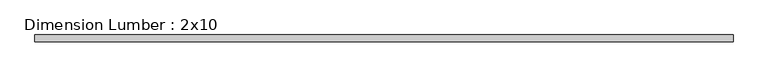
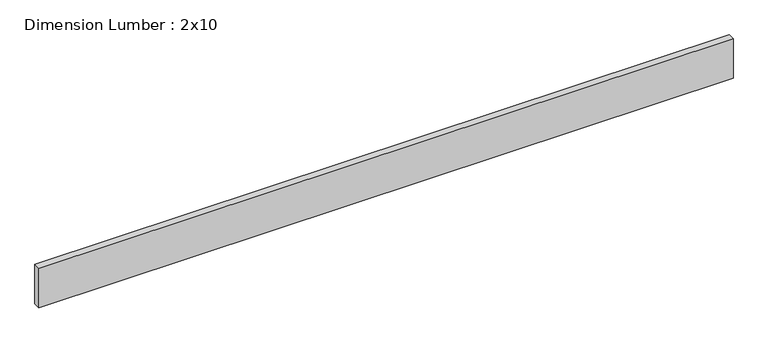
"""IFC4 building model written with IfcOpenShell, lengths in millimetres: beam geometry, Dimension Lumber : 2x10."""

from ifc_helpers import new_model, si_unit, frame, origin, place, context, project, spatial, polyline, outline, extrude, source, transform, mapped, element, save


def dimension_lumber_2x10_aaf72ced(model_context):
    return source(origin(), model_context, "Body", "SweptSolid", [
        extrude(outline(polyline([(1954.576905, 19.05), (1954.576905, -19.05), (-1954.576905, -19.05), (-1954.576905, 19.05), (1954.576905, 19.05)])), frame((0.0, 0.0, -117.475), z_axis=(0.0, 0.0, 1.0), x_axis=(1.0, 0.0, 0.0)), (0.0, 0.0, 1.0), 234.95),
    ])


if __name__ == "__main__":
    model = new_model("IFC4")
    model_context = context("Model", 3, world=origin())
    ifc_project = project(units=[si_unit("LENGTHUNIT", "METRE", prefix="MILLI")], contexts=[model_context])
    site = spatial("IfcSite", under=ifc_project)
    building = spatial("IfcBuilding", under=site)
    placement = place(None, origin())
    dimension_lumber_2x10_shape = dimension_lumber_2x10_aaf72ced(model_context)
    element("IfcBeam", 1, ObjectType="Dimension Lumber : 2x10", at=placement, inside=building, context=model_context, shape_type="MappedRepresentation", body=[
        mapped(dimension_lumber_2x10_shape, transform((0.0, 0.0, 0.0), x_axis=(1.0, 0.0, 0.0), y_axis=(0.0, 1.0, 0.0), z_axis=(0.0, 0.0, 1.0))),
    ])
    save(model, "model.ifc")
